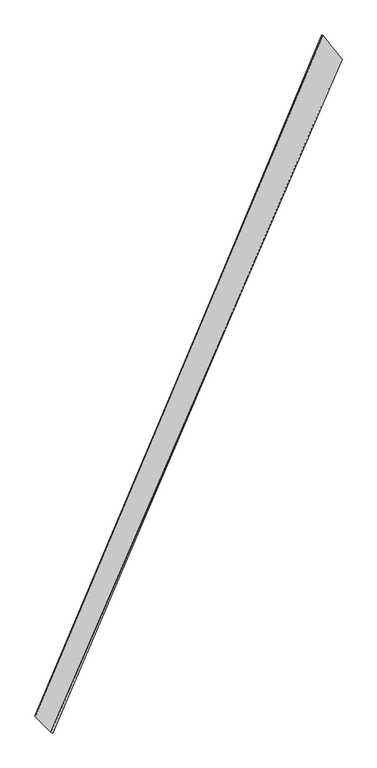
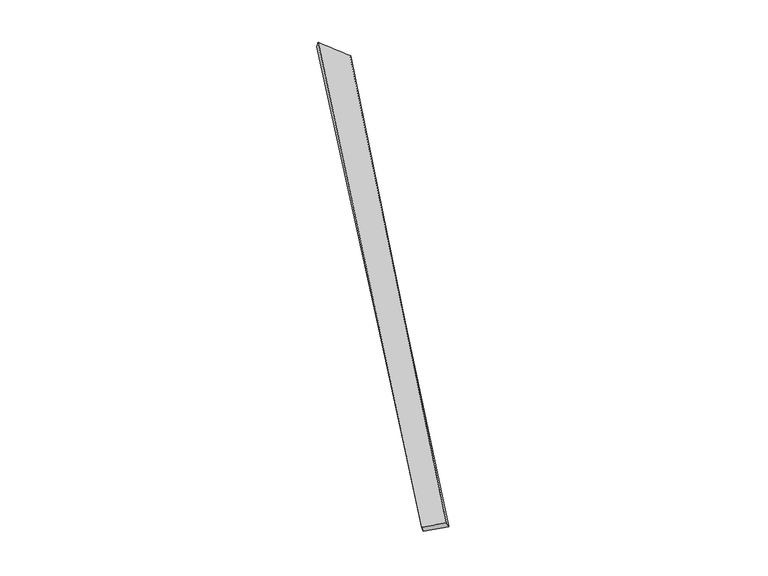
"""IFC4 building model written with IfcOpenShell, lengths in millimetres: proxy geometry."""

import ifcopenshell
import ifcopenshell.guid

model = None  # the IFC model being written
_history = None  # IfcOwnerHistory: only IFC2X3 demands one
_inside = {}  # id of a spatial element -> (the spatial element, [elements in it])
_under = {}  # id of a project, library or spatial element -> (it, [spatial elements below it])
_declared = {}  # id of a project -> (the project, [libraries it declares])
_typed = {}  # id of a type object -> (the type object, [elements of that type])
_made_of = {}  # id of a material, layer set ... -> (it, [elements and type objects made of it])


def new_model(schema):
    """Start an empty IFC model of exactly this schema.

    Asked for "IFC4X3", IfcOpenShell would pick the latest addendum, in which some entities
    have other attributes; the version numbers below select the first issue.
    IFC2X3 requires an IfcOwnerHistory on every rooted entity: one is made here for all.
    """
    global model, _history
    if schema == "IFC4X3":
        model = ifcopenshell.file(schema_version=(4, 3, 0, 0))
    else:
        model = ifcopenshell.file(schema=schema)
    _inside.clear()
    _under.clear()
    _declared.clear()
    _typed.clear()
    _made_of.clear()
    _history = None
    if model.schema == "IFC2X3":
        org = make("IfcOrganization", Name="unknown")
        user = make(
            "IfcPersonAndOrganization",
            ThePerson=make("IfcPerson", FamilyName="unknown"),
            TheOrganization=org,
        )
        app = make(
            "IfcApplication",
            ApplicationDeveloper=org,
            Version="unknown",
            ApplicationFullName="unknown",
            ApplicationIdentifier="unknown",
        )
        _history = make(
            "IfcOwnerHistory",
            OwningUser=user,
            OwningApplication=app,
            ChangeAction="ADDED",
            CreationDate=0,
        )
    return model


def make(cls, **values):
    """One entity of the class cls with the attributes given. An attribute that is None is left unset."""
    return model.create_entity(
        cls, **{name: value for name, value in values.items() if value is not None}
    )


def rooted(cls, **values):
    """An entity with a GlobalId (a new one), such as an element, a storey or a relation."""
    return make(cls, GlobalId=ifcopenshell.guid.new(), OwnerHistory=_history, **values)


def si_unit(unit_type, name, prefix=None):
    """IfcSIUnit, for example si_unit("LENGTHUNIT", "METRE", prefix="MILLI")."""
    return make("IfcSIUnit", UnitType=unit_type, Prefix=prefix, Name=name)


def assignment(units):
    """IfcUnitAssignment: the units of a project."""
    return None if units is None else make("IfcUnitAssignment", Units=units)


def point(xyz):
    """IfcCartesianPoint."""
    return None if xyz is None else make("IfcCartesianPoint", Coordinates=xyz)


def direction(xyz):
    """IfcDirection."""
    return None if xyz is None else make("IfcDirection", DirectionRatios=xyz)


def frame(location, z_axis=None, x_axis=None):
    """IfcAxis2Placement3D, a coordinate frame: its origin and axes. An axis left out is left unset."""
    return make(
        "IfcAxis2Placement3D",
        Location=point(location),
        Axis=direction(z_axis),
        RefDirection=direction(x_axis),
    )


def origin():
    """The frame at (0, 0, 0) with its axes left unset."""
    return frame((0.0, 0.0, 0.0))


def place(relative_to, where):
    """IfcLocalPlacement: puts the frame where relative to a parent placement (None: the world)."""
    return make(
        "IfcLocalPlacement", PlacementRelTo=relative_to, RelativePlacement=where
    )


def context(
    kind, dimensions, precision=None, world=None, true_north=None, identifier=None
):
    """IfcGeometricRepresentationContext, for example the 3D "Model" context."""
    return make(
        "IfcGeometricRepresentationContext",
        ContextIdentifier=identifier,
        ContextType=kind,
        CoordinateSpaceDimension=dimensions,
        Precision=precision,
        WorldCoordinateSystem=world,
        TrueNorth=true_north,
    )


def project(units=None, contexts=None):
    """IfcProject with its units and contexts."""
    return rooted(
        "IfcProject",
        Name="project",
        RepresentationContexts=contexts,
        UnitsInContext=assignment(units),
    )


def spatial(cls, under=None, at=None, **own):
    """A site, building, storey or space (cls), placed at a placement, below another one or the project."""
    s = rooted(cls, ObjectPlacement=at, **own)
    if under is not None:
        _under.setdefault(under.id(), (under, []))[1].append(s)
    return s


def shape(context_of_items, identifier, shape_type, items):
    """IfcShapeRepresentation: the items that make up one representation, for example the "Body"."""
    return make(
        "IfcShapeRepresentation",
        ContextOfItems=context_of_items,
        RepresentationIdentifier=identifier,
        RepresentationType=shape_type,
        Items=items,
    )


def source(mapping_origin, context_of_items, identifier, shape_type, items):
    """IfcRepresentationMap: a shape defined once, which mapped items show again and again."""
    return make(
        "IfcRepresentationMap",
        MappingOrigin=mapping_origin,
        MappedRepresentation=shape(context_of_items, identifier, shape_type, items),
    )


def transform(
    local_origin,
    x_axis=None,
    y_axis=None,
    z_axis=None,
    scale=None,
    scale2=None,
    scale3=None,
    uniform=True,
):
    """IfcCartesianTransformationOperator3D, or its non-uniform kind. x_axis, y_axis, z_axis: its Axis1, 2, 3."""
    if uniform:
        return make(
            "IfcCartesianTransformationOperator3D",
            Axis1=direction(x_axis),
            Axis2=direction(y_axis),
            LocalOrigin=point(local_origin),
            Scale=scale,
            Axis3=direction(z_axis),
        )
    return make(
        "IfcCartesianTransformationOperator3DnonUniform",
        Axis1=direction(x_axis),
        Axis2=direction(y_axis),
        LocalOrigin=point(local_origin),
        Scale=scale,
        Axis3=direction(z_axis),
        Scale2=scale2,
        Scale3=scale3,
    )


def mapped(mapping_source, mapping_target):
    """IfcMappedItem: shows the shape of a source again, moved by a transform."""
    return make(
        "IfcMappedItem", MappingSource=mapping_source, MappingTarget=mapping_target
    )


def made_of(thing, what):
    """Note that an element or type object is made of a material, layer set ...; save() writes the relation."""
    if what is not None:
        _made_of.setdefault(what.id(), (what, []))[1].append(thing)
    return thing


def element(
    cls,
    number,
    at=None,
    inside=None,
    cuts=None,
    type_object=None,
    material=None,
    context=None,
    identifier="Body",
    shape_type=None,
    held_by="IfcProductDefinitionShape",
    body=None,
    shapes=None,
    **own,
):
    """One element of the class cls, such as IfcWall. Its Tag is "e" and its number.

    at: its placement. inside: the storey or other place that contains it. cuts: it is an
    opening in that element (IfcRelVoidsElement). A single representation is given by context,
    identifier, shape_type and body (its items); several are given by shapes. held_by: the class
    of the entity that holds the representations. save() writes the other relations.
    """
    e = rooted(cls, Tag="e%d" % number, ObjectPlacement=at, **own)
    if body is not None:
        shapes = [shape(context, identifier, shape_type, body)]
    if shapes is not None:
        e.Representation = make(held_by, Representations=shapes)
    if inside is not None:
        _inside.setdefault(inside.id(), (inside, []))[1].append(e)
    if cuts is not None:
        rooted(
            "IfcRelVoidsElement", RelatingBuildingElement=cuts, RelatedOpeningElement=e
        )
    if type_object is not None:
        _typed.setdefault(type_object.id(), (type_object, []))[1].append(e)
    return made_of(e, material)


def aggregate(whole, parts):
    """IfcRelAggregates: a whole, such as a stair, and the parts it consists of."""
    return rooted("IfcRelAggregates", RelatingObject=whole, RelatedObjects=parts)


def save(model, path):
    """Write the relations noted so far, then the file.

    IfcRelAggregates (storeys below a building ...), IfcRelContainedInSpatialStructure (elements
    in a storey), IfcRelDefinesByType, IfcRelAssociatesMaterial and IfcRelDeclares: one each for
    every whole, place, type object, material and project.
    """
    for whole, parts in _under.values():
        aggregate(whole, parts)
    for where, things in _inside.values():
        rooted(
            "IfcRelContainedInSpatialStructure",
            RelatedElements=things,
            RelatingStructure=where,
        )
    for kind, things in _typed.values():
        rooted("IfcRelDefinesByType", RelatedObjects=things, RelatingType=kind)
    for what, things in _made_of.values():
        rooted("IfcRelAssociatesMaterial", RelatedObjects=things, RelatingMaterial=what)
    for by, libraries in _declared.values():
        rooted("IfcRelDeclares", RelatingContext=by, RelatedDefinitions=libraries)
    model.write(path)


def spline_surface(u_degree, v_degree, points, u_multiplicities, v_multiplicities, u_knots, v_knots, weights=None):
    """IfcBSplineSurfaceWithKnots; with weights, IfcRationalBSplineSurfaceWithKnots. points: one row for each step in u."""
    own = dict(
        UDegree=u_degree,
        VDegree=v_degree,
        ControlPointsList=[[point(p) for p in row] for row in points],
        SurfaceForm="UNSPECIFIED",
        UClosed=False,
        VClosed=False,
        SelfIntersect=False,
        UMultiplicities=u_multiplicities,
        VMultiplicities=v_multiplicities,
        UKnots=u_knots,
        VKnots=v_knots,
        KnotSpec="UNSPECIFIED",
    )
    if weights is None:
        return make("IfcBSplineSurfaceWithKnots", **own)
    return make("IfcRationalBSplineSurfaceWithKnots", WeightsData=weights, **own)


def advanced_brep(points, edges, surfaces, faces):
    """IfcAdvancedBrep: a solid bounded by faces that lie on surfaces and meet in shared edges.

    An edge is (start, end): straight between two places in points (the first is 0);
    or (start, end, curve); or (start, end, curve, False) where it runs against its curve.
    A face is (place in surfaces, loops), or (place, loops, False) where it looks against
    its surface's normal. A loop lists edges by number (the first is 1), with a minus sign
    where the edge is run from its end to its start. The first loop is the outer one.
    """
    corners = [point(p) for p in points]
    vertices = [make("IfcVertexPoint", VertexGeometry=c) for c in corners]
    made = []
    for start, end, *more in edges:
        made.append(
            make(
                "IfcEdgeCurve",
                EdgeStart=vertices[start],
                EdgeEnd=vertices[end],
                EdgeGeometry=more[0] if more else make("IfcPolyline", Points=[corners[start], corners[end]]),
                SameSense=more[1] if len(more) > 1 else True,
            )
        )
    hull = []
    for where, loops, *sense in faces:
        bounds = []
        for j, loop in enumerate(loops):
            ring = [make("IfcOrientedEdge", EdgeElement=made[abs(k) - 1], Orientation=k > 0) for k in loop]
            bounds.append(
                make(
                    "IfcFaceOuterBound" if j == 0 else "IfcFaceBound",
                    Bound=make("IfcEdgeLoop", EdgeList=ring),
                    Orientation=True,
                )
            )
        hull.append(make("IfcAdvancedFace", Bounds=bounds, FaceSurface=surfaces[where], SameSense=sense[0] if sense else True))
    return make("IfcAdvancedBrep", Outer=make("IfcClosedShell", CfsFaces=hull))


def generic_models_963b9e26(model_context):
    return source(origin(), model_context, "Body", "AdvancedBrep", [
        advanced_brep(
        [(-759.4883314, -1924.0371062, 26.8837741), (-747.2342589, -1929.6492322, 0.0818759), (1010.5941468, 2185.4824832, -50.1034601), (1016.9853167, 2183.0578604, -20.8926034), (-847.5671492, -1829.8947778, -55.069492), (892.2941572, 2330.5893601, -8.1521064), (-856.905467, -1826.2700882, -26.791277), (899.4084816, 2327.2493341, 20.8001062)],
        [
            (0, 1),
            (1, 2),
            (2, 3),
            (3, 0),
            (1, 4),
            (4, 5),
            (5, 2),
            (4, 6),
            (6, 7),
            (7, 5),
            (6, 0),
            (3, 7),
        ],
        [
            spline_surface(1, 1, [[(-759.4883314, -1924.0371062, 26.8837741), (1016.9853167, 2183.0578604, -20.8926034)], [(-747.2342589, -1929.6492322, 0.0818759), (1010.5941468, 2185.4824832, -50.1034601)]], [2, 2], [2, 2], [0.0, 1.0], [0.0, 1.0]),
            spline_surface(1, 1, [[(-747.2342589, -1929.6492322, 0.0818759), (1010.5941468, 2185.4824832, -50.1034601)], [(-847.5671492, -1829.8947778, -55.069492), (892.2941572, 2330.5893601, -8.1521064)]], [2, 2], [2, 2], [0.0, 1.0], [0.0, 1.0]),
            spline_surface(1, 1, [[(-847.5671492, -1829.8947778, -55.069492), (892.2941572, 2330.5893601, -8.1521064)], [(-856.905467, -1826.2700882, -26.791277), (899.4084816, 2327.2493341, 20.8001062)]], [2, 2], [2, 2], [0.0, 1.0], [0.0, 1.0]),
            spline_surface(1, 1, [[(-856.905467, -1826.2700882, -26.791277), (899.4084816, 2327.2493341, 20.8001062)], [(-759.4883314, -1924.0371062, 26.8837741), (1016.9853167, 2183.0578604, -20.8926034)]], [2, 2], [2, 2], [0.0, 1.0], [0.0, 1.0]),
            spline_surface(1, 1, [[(1010.5941468, 2185.4824832, -50.1034601), (1016.9853167, 2183.0578604, -20.8926034)], [(892.2941572, 2330.5893601, -8.1521064), (899.4084816, 2327.2493341, 20.8001062)]], [2, 2], [2, 2], [0.0, 1.0], [0.0, 1.0]),
            spline_surface(1, 1, [[(-856.905467, -1826.2700882, -26.791277), (-759.4883314, -1924.0371062, 26.8837741)], [(-847.5671492, -1829.8947778, -55.069492), (-747.2342589, -1929.6492322, 0.0818759)]], [2, 2], [2, 2], [0.0, 1.0], [0.0, 1.0]),
        ],
        [
            (0, [[1, 2, 3, 4]]),
            (1, [[5, 6, 7, -2]]),
            (2, [[8, 9, 10, -6]]),
            (3, [[11, -4, 12, -9]]),
            (4, [[-3, -7, -10, -12]]),
            (5, [[-11, -8, -5, -1]]),
        ],
    ),
    ])


if __name__ == "__main__":
    model = new_model("IFC4")
    model_context = context("Model", 3, world=origin())
    ifc_project = project(units=[si_unit("LENGTHUNIT", "METRE", prefix="MILLI")], contexts=[model_context])
    site = spatial("IfcSite", under=ifc_project)
    building = spatial("IfcBuilding", under=site)
    placement = place(None, origin())
    generic_models_shape = generic_models_963b9e26(model_context)
    element("IfcBuildingElementProxy", 1, Name="Generic Models", at=placement, inside=building, context=model_context, shape_type="MappedRepresentation", body=[
        mapped(generic_models_shape, transform((0.0, 0.0, 0.0), x_axis=(1.0, 0.0, 0.0), y_axis=(0.0, 1.0, 0.0), z_axis=(0.0, 0.0, 1.0))),
    ])
    save(model, "model.ifc")
